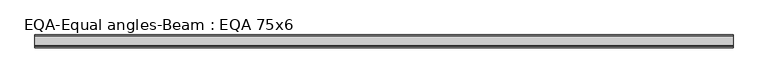
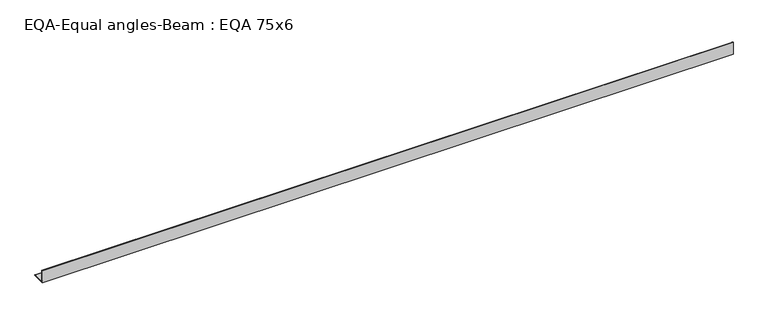
"""IFC4 building model written with IfcOpenShell, lengths in millimetres: beam geometry, EQA-Equal angles-Beam : EQA 75x6."""

import ifcopenshell
import ifcopenshell.guid

model = None  # the IFC model being written
_history = None  # IfcOwnerHistory: only IFC2X3 demands one
_inside = {}  # id of a spatial element -> (the spatial element, [elements in it])
_under = {}  # id of a project, library or spatial element -> (it, [spatial elements below it])
_declared = {}  # id of a project -> (the project, [libraries it declares])
_typed = {}  # id of a type object -> (the type object, [elements of that type])
_made_of = {}  # id of a material, layer set ... -> (it, [elements and type objects made of it])


def new_model(schema):
    """Start an empty IFC model of exactly this schema.

    Asked for "IFC4X3", IfcOpenShell would pick the latest addendum, in which some entities
    have other attributes; the version numbers below select the first issue.
    IFC2X3 requires an IfcOwnerHistory on every rooted entity: one is made here for all.
    """
    global model, _history
    if schema == "IFC4X3":
        model = ifcopenshell.file(schema_version=(4, 3, 0, 0))
    else:
        model = ifcopenshell.file(schema=schema)
    _inside.clear()
    _under.clear()
    _declared.clear()
    _typed.clear()
    _made_of.clear()
    _history = None
    if model.schema == "IFC2X3":
        org = make("IfcOrganization", Name="unknown")
        user = make(
            "IfcPersonAndOrganization",
            ThePerson=make("IfcPerson", FamilyName="unknown"),
            TheOrganization=org,
        )
        app = make(
            "IfcApplication",
            ApplicationDeveloper=org,
            Version="unknown",
            ApplicationFullName="unknown",
            ApplicationIdentifier="unknown",
        )
        _history = make(
            "IfcOwnerHistory",
            OwningUser=user,
            OwningApplication=app,
            ChangeAction="ADDED",
            CreationDate=0,
        )
    return model


def make(cls, **values):
    """One entity of the class cls with the attributes given. An attribute that is None is left unset."""
    return model.create_entity(
        cls, **{name: value for name, value in values.items() if value is not None}
    )


def rooted(cls, **values):
    """An entity with a GlobalId (a new one), such as an element, a storey or a relation."""
    return make(cls, GlobalId=ifcopenshell.guid.new(), OwnerHistory=_history, **values)


def si_unit(unit_type, name, prefix=None):
    """IfcSIUnit, for example si_unit("LENGTHUNIT", "METRE", prefix="MILLI")."""
    return make("IfcSIUnit", UnitType=unit_type, Prefix=prefix, Name=name)


def assignment(units):
    """IfcUnitAssignment: the units of a project."""
    return None if units is None else make("IfcUnitAssignment", Units=units)


def point(xyz):
    """IfcCartesianPoint."""
    return None if xyz is None else make("IfcCartesianPoint", Coordinates=xyz)


def direction(xyz):
    """IfcDirection."""
    return None if xyz is None else make("IfcDirection", DirectionRatios=xyz)


def frame(location, z_axis=None, x_axis=None):
    """IfcAxis2Placement3D, a coordinate frame: its origin and axes. An axis left out is left unset."""
    return make(
        "IfcAxis2Placement3D",
        Location=point(location),
        Axis=direction(z_axis),
        RefDirection=direction(x_axis),
    )


def frame_2d(location, x_axis=None):
    """IfcAxis2Placement2D, a coordinate frame in the plane: its origin and x axis."""
    return make(
        "IfcAxis2Placement2D", Location=point(location), RefDirection=direction(x_axis)
    )


def origin():
    """The frame at (0, 0, 0) with its axes left unset."""
    return frame((0.0, 0.0, 0.0))


def place(relative_to, where):
    """IfcLocalPlacement: puts the frame where relative to a parent placement (None: the world)."""
    return make(
        "IfcLocalPlacement", PlacementRelTo=relative_to, RelativePlacement=where
    )


def context(
    kind, dimensions, precision=None, world=None, true_north=None, identifier=None
):
    """IfcGeometricRepresentationContext, for example the 3D "Model" context."""
    return make(
        "IfcGeometricRepresentationContext",
        ContextIdentifier=identifier,
        ContextType=kind,
        CoordinateSpaceDimension=dimensions,
        Precision=precision,
        WorldCoordinateSystem=world,
        TrueNorth=true_north,
    )


def project(units=None, contexts=None):
    """IfcProject with its units and contexts."""
    return rooted(
        "IfcProject",
        Name="project",
        RepresentationContexts=contexts,
        UnitsInContext=assignment(units),
    )


def spatial(cls, under=None, at=None, **own):
    """A site, building, storey or space (cls), placed at a placement, below another one or the project."""
    s = rooted(cls, ObjectPlacement=at, **own)
    if under is not None:
        _under.setdefault(under.id(), (under, []))[1].append(s)
    return s


def polyline(points):
    """IfcPolyline through the points."""
    return make("IfcPolyline", Points=[point(p) for p in points])


def circle_curve(where, radius):
    """IfcCircle in the frame where."""
    return make("IfcCircle", Position=where, Radius=radius)


def trimmed(basis, trim1, trim2, sense, master):
    """IfcTrimmedCurve: the piece of a basis curve between two trims."""
    return make(
        "IfcTrimmedCurve",
        BasisCurve=basis,
        Trim1=trim1,
        Trim2=trim2,
        SenseAgreement=sense,
        MasterRepresentation=master,
    )


def segment(curve, same_sense, transition):
    """IfcCompositeCurveSegment."""
    return make(
        "IfcCompositeCurveSegment",
        Transition=transition,
        SameSense=same_sense,
        ParentCurve=curve,
    )


def composite_curve(segments, self_intersect=None):
    """IfcCompositeCurve: segments joined end to end."""
    return make("IfcCompositeCurve", Segments=segments, SelfIntersect=self_intersect)


def outline(outer, holes=None, kind="AREA"):
    """IfcArbitraryClosedProfileDef: a profile drawn as a closed curve; with holes, ...WithVoids."""
    if holes is None:
        return make("IfcArbitraryClosedProfileDef", ProfileType=kind, OuterCurve=outer)
    return make(
        "IfcArbitraryProfileDefWithVoids",
        ProfileType=kind,
        OuterCurve=outer,
        InnerCurves=holes,
    )


def extrude(swept, where, along, depth):
    """IfcExtrudedAreaSolid: the profile swept, set in the frame where, extruded along a direction by depth."""
    return make(
        "IfcExtrudedAreaSolid",
        SweptArea=swept,
        Position=where,
        ExtrudedDirection=direction(along),
        Depth=depth,
    )


def shape(context_of_items, identifier, shape_type, items):
    """IfcShapeRepresentation: the items that make up one representation, for example the "Body"."""
    return make(
        "IfcShapeRepresentation",
        ContextOfItems=context_of_items,
        RepresentationIdentifier=identifier,
        RepresentationType=shape_type,
        Items=items,
    )


def source(mapping_origin, context_of_items, identifier, shape_type, items):
    """IfcRepresentationMap: a shape defined once, which mapped items show again and again."""
    return make(
        "IfcRepresentationMap",
        MappingOrigin=mapping_origin,
        MappedRepresentation=shape(context_of_items, identifier, shape_type, items),
    )


def transform(
    local_origin,
    x_axis=None,
    y_axis=None,
    z_axis=None,
    scale=None,
    scale2=None,
    scale3=None,
    uniform=True,
):
    """IfcCartesianTransformationOperator3D, or its non-uniform kind. x_axis, y_axis, z_axis: its Axis1, 2, 3."""
    if uniform:
        return make(
            "IfcCartesianTransformationOperator3D",
            Axis1=direction(x_axis),
            Axis2=direction(y_axis),
            LocalOrigin=point(local_origin),
            Scale=scale,
            Axis3=direction(z_axis),
        )
    return make(
        "IfcCartesianTransformationOperator3DnonUniform",
        Axis1=direction(x_axis),
        Axis2=direction(y_axis),
        LocalOrigin=point(local_origin),
        Scale=scale,
        Axis3=direction(z_axis),
        Scale2=scale2,
        Scale3=scale3,
    )


def mapped(mapping_source, mapping_target):
    """IfcMappedItem: shows the shape of a source again, moved by a transform."""
    return make(
        "IfcMappedItem", MappingSource=mapping_source, MappingTarget=mapping_target
    )


def made_of(thing, what):
    """Note that an element or type object is made of a material, layer set ...; save() writes the relation."""
    if what is not None:
        _made_of.setdefault(what.id(), (what, []))[1].append(thing)
    return thing


def element(
    cls,
    number,
    at=None,
    inside=None,
    cuts=None,
    type_object=None,
    material=None,
    context=None,
    identifier="Body",
    shape_type=None,
    held_by="IfcProductDefinitionShape",
    body=None,
    shapes=None,
    **own,
):
    """One element of the class cls, such as IfcWall. Its Tag is "e" and its number.

    at: its placement. inside: the storey or other place that contains it. cuts: it is an
    opening in that element (IfcRelVoidsElement). A single representation is given by context,
    identifier, shape_type and body (its items); several are given by shapes. held_by: the class
    of the entity that holds the representations. save() writes the other relations.
    """
    e = rooted(cls, Tag="e%d" % number, ObjectPlacement=at, **own)
    if body is not None:
        shapes = [shape(context, identifier, shape_type, body)]
    if shapes is not None:
        e.Representation = make(held_by, Representations=shapes)
    if inside is not None:
        _inside.setdefault(inside.id(), (inside, []))[1].append(e)
    if cuts is not None:
        rooted(
            "IfcRelVoidsElement", RelatingBuildingElement=cuts, RelatedOpeningElement=e
        )
    if type_object is not None:
        _typed.setdefault(type_object.id(), (type_object, []))[1].append(e)
    return made_of(e, material)


def aggregate(whole, parts):
    """IfcRelAggregates: a whole, such as a stair, and the parts it consists of."""
    return rooted("IfcRelAggregates", RelatingObject=whole, RelatedObjects=parts)


def save(model, path):
    """Write the relations noted so far, then the file.

    IfcRelAggregates (storeys below a building ...), IfcRelContainedInSpatialStructure (elements
    in a storey), IfcRelDefinesByType, IfcRelAssociatesMaterial and IfcRelDeclares: one each for
    every whole, place, type object, material and project.
    """
    for whole, parts in _under.values():
        aggregate(whole, parts)
    for where, things in _inside.values():
        rooted(
            "IfcRelContainedInSpatialStructure",
            RelatedElements=things,
            RelatingStructure=where,
        )
    for kind, things in _typed.values():
        rooted("IfcRelDefinesByType", RelatedObjects=things, RelatingType=kind)
    for what, things in _made_of.values():
        rooted("IfcRelAssociatesMaterial", RelatedObjects=things, RelatingMaterial=what)
    for by, libraries in _declared.values():
        rooted("IfcRelDeclares", RelatingContext=by, RelatedDefinitions=libraries)
    model.write(path)


def eqa_equal_angles_beam_eqa_75x6_c08b8850(model_context):
    return source(origin(), model_context, "Body", "SweptSolid", [
        extrude(outline(composite_curve([segment(polyline([(-20.5, -20.5), (-20.5, 54.5), (-19.0, 54.5)]), True, "CONTINUOUS"), segment(trimmed(circle_curve(frame_2d((-19.0, 50.0)), 4.5), [point((-19.0, 54.5))], [point((-14.5, 50.0))], False, "CARTESIAN"), True, "CONTINUOUS"), segment(polyline([(-14.5, 50.0), (-14.5, -5.5)]), True, "CONTINUOUS"), segment(trimmed(circle_curve(frame_2d((-5.5, -5.5)), 9.0), [point((-14.5, -5.5))], [point((-5.5, -14.5))], True, "CARTESIAN"), True, "CONTINUOUS"), segment(polyline([(-5.5, -14.5), (50.0, -14.5)]), True, "CONTINUOUS"), segment(trimmed(circle_curve(frame_2d((50.0, -19.0)), 4.5), [point((50.0, -14.5))], [point((54.5, -19.0))], False, "CARTESIAN"), True, "CONTINUOUS"), segment(polyline([(54.5, -19.0), (54.5, -20.5), (-20.5, -20.5)]), True, "CONTINUOUS")], self_intersect=False)), frame((-2015.2530552, 0.0, 0.0), z_axis=(1.0, 0.0, 0.0), x_axis=(0.0, 1.0, 0.0)), (0.0, 0.0, 1.0), 4019.1691042),
    ])


if __name__ == "__main__":
    model = new_model("IFC4")
    model_context = context("Model", 3, world=origin())
    ifc_project = project(units=[si_unit("LENGTHUNIT", "METRE", prefix="MILLI")], contexts=[model_context])
    site = spatial("IfcSite", under=ifc_project)
    building = spatial("IfcBuilding", under=site)
    placement = place(None, origin())
    eqa_equal_angles_beam_eqa_75x6_shape = eqa_equal_angles_beam_eqa_75x6_c08b8850(model_context)
    element("IfcBeam", 1, ObjectType="EQA-Equal angles-Beam : EQA 75x6", at=placement, inside=building, context=model_context, shape_type="MappedRepresentation", body=[
        mapped(eqa_equal_angles_beam_eqa_75x6_shape, transform((0.0, 0.0, 0.0), x_axis=(1.0, 0.0, 0.0), y_axis=(0.0, 1.0, 0.0), z_axis=(0.0, 0.0, 1.0))),
    ])
    save(model, "model.ifc")
